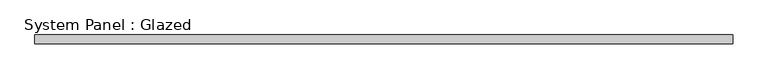
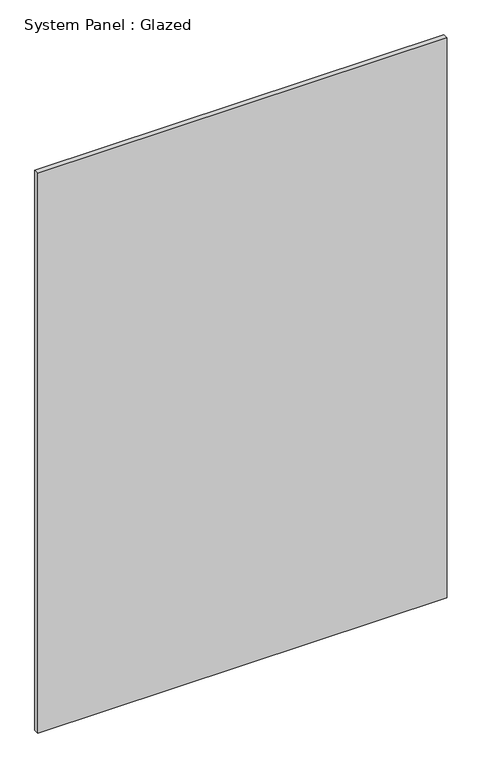
"""IFC4 building model written with IfcOpenShell, lengths in millimetres: plate geometry, System Panel : Glazed."""

from ifc_helpers import new_model, si_unit, origin, origin_with_axes, place, context, project, spatial, polyline, outline, extrude, source, transform, mapped, element, save


def system_panel_glazed_fca6684f(model_context):
    return source(origin(), model_context, "Body", "SweptSolid", [
        extrude(outline(polyline([(1000.0, 19.05), (-1000.0, 19.05), (-1000.0, 44.45), (1000.0, 44.45), (1000.0, 19.05)])), origin_with_axes(), (0.0, 0.0, 1.0), 2890.0),
    ])


if __name__ == "__main__":
    model = new_model("IFC4")
    model_context = context("Model", 3, world=origin())
    ifc_project = project(units=[si_unit("LENGTHUNIT", "METRE", prefix="MILLI")], contexts=[model_context])
    site = spatial("IfcSite", under=ifc_project)
    building = spatial("IfcBuilding", under=site)
    placement = place(None, origin())
    system_panel_glazed_shape = system_panel_glazed_fca6684f(model_context)
    element("IfcPlate", 1, ObjectType="System Panel : Glazed", at=placement, inside=building, context=model_context, shape_type="MappedRepresentation", body=[
        mapped(system_panel_glazed_shape, transform((0.0, 0.0, 0.0), x_axis=(1.0, 0.0, 0.0), y_axis=(0.0, 1.0, 0.0), z_axis=(0.0, 0.0, 1.0))),
    ])
    save(model, "model.ifc")
